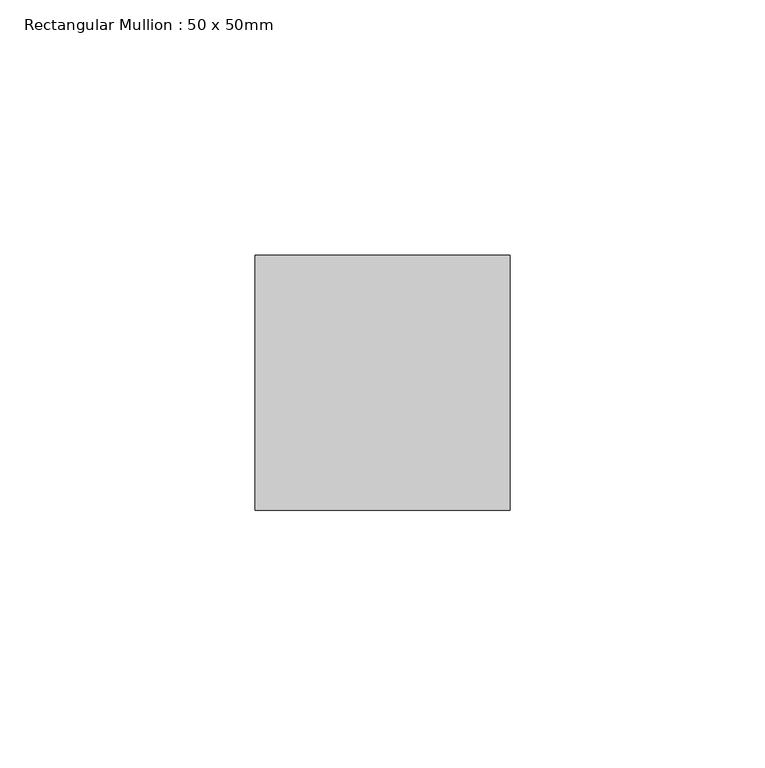
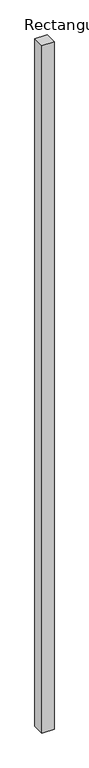
"""IFC4 building model written with IfcOpenShell, lengths in millimetres: member geometry, Rectangular Mullion : 50 x 50mm."""

from ifc_helpers import new_model, si_unit, frame, origin, place, context, project, spatial, polyline, outline, extrude, source, transform, mapped, element, save


def rectangular_mullion_50_x_50mm_f4991cd8(model_context):
    return source(origin(), model_context, "Body", "SweptSolid", [
        extrude(outline(polyline([(0.0, 50.0), (0.0, 0.0), (-50.0, 0.0), (-50.0, 50.0), (0.0, 50.0)])), frame((0.0, 0.0, -3000.0), z_axis=(0.0, 0.0, 1.0), x_axis=(1.0, 0.0, 0.0)), (0.0, 0.0, 1.0), 3000.0),
    ])


if __name__ == "__main__":
    model = new_model("IFC4")
    model_context = context("Model", 3, world=origin())
    ifc_project = project(units=[si_unit("LENGTHUNIT", "METRE", prefix="MILLI")], contexts=[model_context])
    site = spatial("IfcSite", under=ifc_project)
    building = spatial("IfcBuilding", under=site)
    placement = place(None, origin())
    rectangular_mullion_50_x_50mm_shape = rectangular_mullion_50_x_50mm_f4991cd8(model_context)
    element("IfcMember", 1, ObjectType="Rectangular Mullion : 50 x 50mm", at=placement, inside=building, context=model_context, shape_type="MappedRepresentation", body=[
        mapped(rectangular_mullion_50_x_50mm_shape, transform((0.0, 0.0, 0.0), x_axis=(1.0, 0.0, 0.0), y_axis=(0.0, 1.0, 0.0), z_axis=(0.0, 0.0, 1.0))),
    ])
    save(model, "model.ifc")
